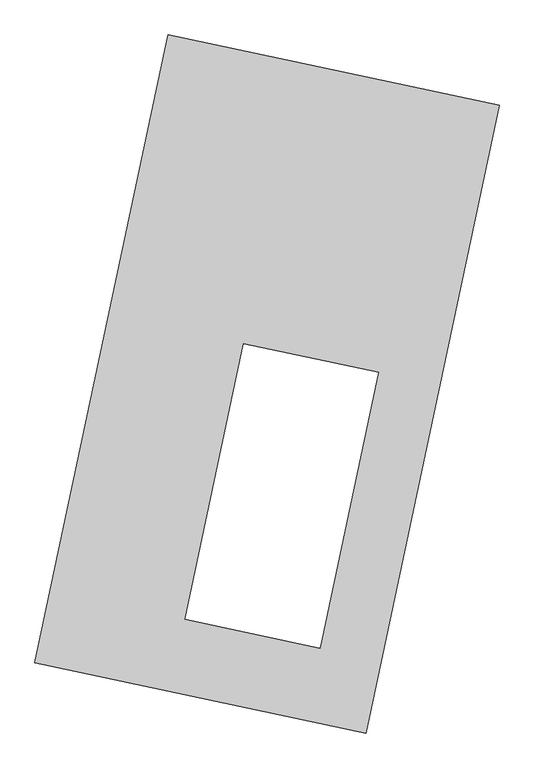
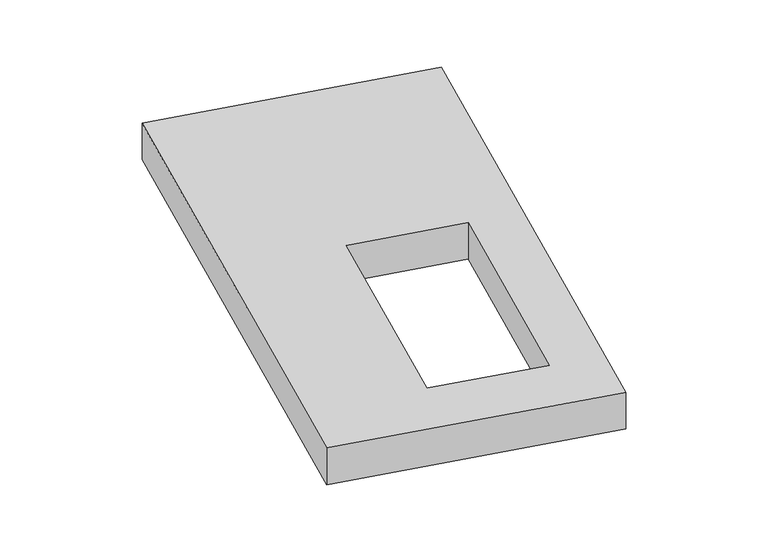
"""IFC4 building model written with IfcOpenShell, lengths in millimetres: proxy geometry."""

from ifc_helpers import new_model, si_unit, origin, origin_with_axes, place, context, project, spatial, polyline, outline, extrude, source, transform, mapped, element, save


def generic_models_d0d4737c(model_context):
    return source(origin(), model_context, "Body", "SweptSolid", [
        extrude(outline(polyline([(-617.3692021, 2175.5580432), (1447.7508745, 1737.3010494), (617.3692021, -2175.5580432), (-1447.7508745, -1737.3010494), (-617.3692021, 2175.5580432)]), holes=[polyline([(695.4564396, 72.0581413), (-146.2826826, 250.690881), (-510.7877302, -1466.9010855), (330.9513921, -1645.5338252), (695.4564396, 72.0581413)])]), origin_with_axes(), (0.0, 0.0, 1.0), 300.0),
    ])


if __name__ == "__main__":
    model = new_model("IFC4")
    model_context = context("Model", 3, world=origin())
    ifc_project = project(units=[si_unit("LENGTHUNIT", "METRE", prefix="MILLI")], contexts=[model_context])
    site = spatial("IfcSite", under=ifc_project)
    building = spatial("IfcBuilding", under=site)
    placement = place(None, origin())
    generic_models_shape = generic_models_d0d4737c(model_context)
    element("IfcBuildingElementProxy", 1, Name="Generic Models", at=placement, inside=building, context=model_context, shape_type="MappedRepresentation", body=[
        mapped(generic_models_shape, transform((0.0, 0.0, 0.0), x_axis=(1.0, 0.0, 0.0), y_axis=(0.0, 1.0, 0.0), z_axis=(0.0, 0.0, 1.0))),
    ])
    save(model, "model.ifc")
